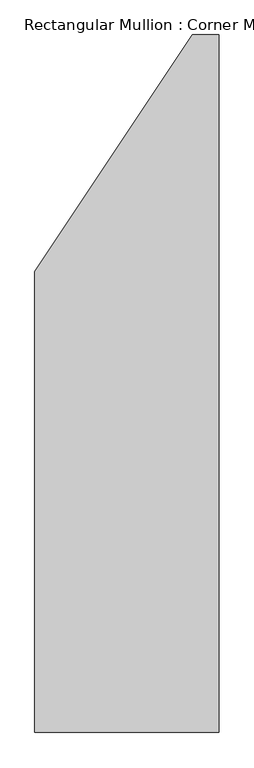
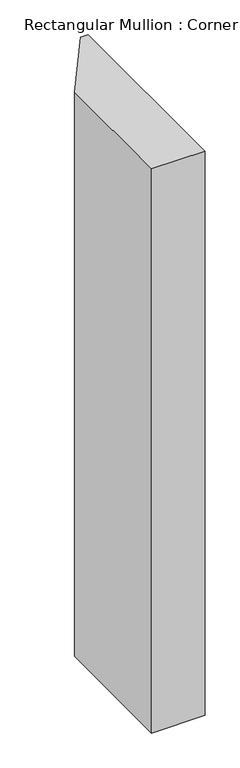
"""IFC4 building model written with IfcOpenShell, lengths in millimetres: member geometry, Rectangular Mullion : Corner Mullion Type #1_Left."""

from ifc_helpers import new_model, si_unit, frame, origin, place, context, project, spatial, polyline, outline, extrude, source, transform, mapped, element, save


def rectangular_mullion_corner_mullion_type_1_left_9e9c9ef2(model_context):
    return source(origin(), model_context, "Body", "SweptSolid", [
        extrude(outline(polyline([(-355.6, -381.0), (-355.6, 508.0), (-50.8, 965.2), (0.0, 965.2), (0.0, -381.0), (-355.6, -381.0)])), frame((0.0, 0.0, -3962.4), z_axis=(0.0, 0.0, 1.0), x_axis=(1.0, 0.0, 0.0)), (0.0, 0.0, 1.0), 3962.4),
    ])


if __name__ == "__main__":
    model = new_model("IFC4")
    model_context = context("Model", 3, world=origin())
    ifc_project = project(units=[si_unit("LENGTHUNIT", "METRE", prefix="MILLI")], contexts=[model_context])
    site = spatial("IfcSite", under=ifc_project)
    building = spatial("IfcBuilding", under=site)
    placement = place(None, origin())
    rectangular_mullion_corner_mullion_type_1_left_shape = rectangular_mullion_corner_mullion_type_1_left_9e9c9ef2(model_context)
    element("IfcMember", 1, ObjectType="Rectangular Mullion : Corner Mullion Type #1_Left", at=placement, inside=building, context=model_context, shape_type="MappedRepresentation", body=[
        mapped(rectangular_mullion_corner_mullion_type_1_left_shape, transform((0.0, 0.0, 0.0), x_axis=(1.0, 0.0, 0.0), y_axis=(0.0, 1.0, 0.0), z_axis=(0.0, 0.0, 1.0))),
    ])
    save(model, "model.ifc")
